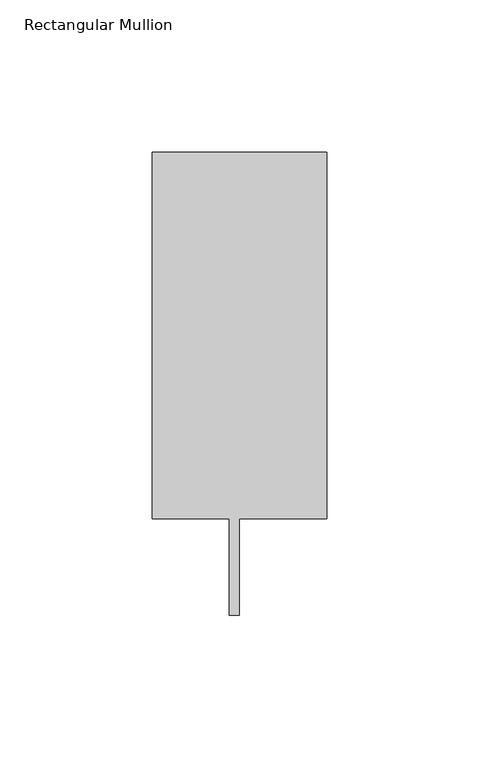
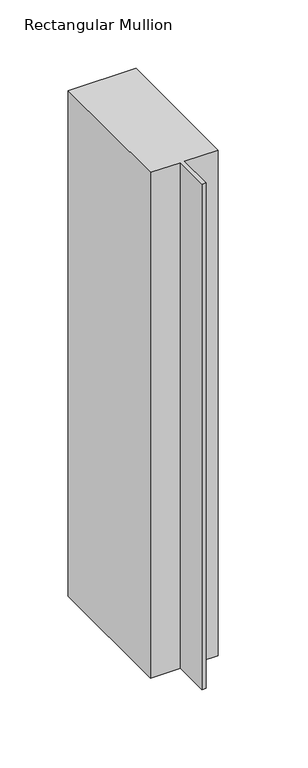
"""IFC4 building model written with IfcOpenShell, lengths in millimetres: member geometry, Rectangular Mullion."""

from ifc_helpers import new_model, si_unit, frame, origin, place, context, project, spatial, polyline, outline, extrude, source, transform, mapped, element, save


def rectangular_mullion_847ee880(model_context):
    return source(origin(), model_context, "Body", "SweptSolid", [
        extrude(outline(polyline([(-57.15, 151.892), (0.0, 151.892), (0.0, 31.75), (-28.575, 31.75), (-28.575, 0.0), (-31.877, 0.0), (-31.877, 31.75), (-57.15, 31.75), (-57.15, 151.892)])), frame((0.0, 0.0, -451.2103593), z_axis=(0.0, 0.0, 1.0), x_axis=(1.0, 0.0, 0.0)), (0.0, 0.0, 1.0), 451.2103593),
    ])


if __name__ == "__main__":
    model = new_model("IFC4")
    model_context = context("Model", 3, world=origin())
    ifc_project = project(units=[si_unit("LENGTHUNIT", "METRE", prefix="MILLI")], contexts=[model_context])
    site = spatial("IfcSite", under=ifc_project)
    building = spatial("IfcBuilding", under=site)
    placement = place(None, origin())
    rectangular_mullion_shape = rectangular_mullion_847ee880(model_context)
    element("IfcMember", 1, ObjectType="Rectangular Mullion", at=placement, inside=building, context=model_context, shape_type="MappedRepresentation", body=[
        mapped(rectangular_mullion_shape, transform((0.0, 0.0, 0.0), x_axis=(1.0, 0.0, 0.0), y_axis=(0.0, 1.0, 0.0), z_axis=(0.0, 0.0, 1.0))),
    ])
    save(model, "model.ifc")
